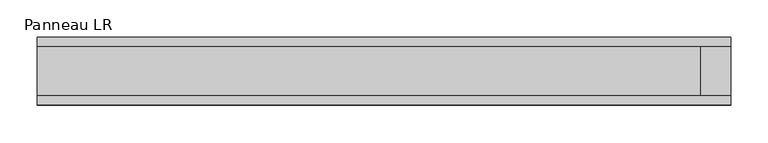
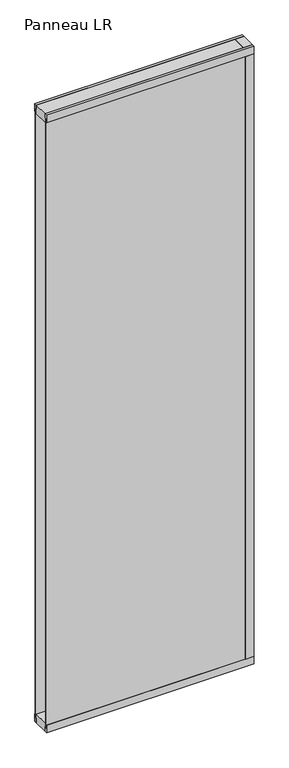
"""IFC4 building model written with IfcOpenShell, lengths in millimetres: plate geometry, Panneau LR."""

from ifc_helpers import new_model, si_unit, frame, origin, origin_with_axes, place, context, project, spatial, polyline, outline, extrude, source, transform, mapped, element, save


def panneau_lr_39d9c2f7(model_context):
    return source(origin(), model_context, "Body", "SweptSolid", [
        extrude(outline(polyline([(33.0, 2910.0), (45.0, 2910.0), (45.0, 2875.0), (43.8, 2875.0), (43.8, 2890.0), (33.0, 2890.0), (33.0, 2910.0)])), frame((-462.7520247, 0.0, 0.0), z_axis=(1.0, 0.0, 0.0), x_axis=(0.0, 1.0, 0.0)), (0.0, 0.0, 1.0), 925.5040494),
        extrude(outline(polyline([(-45.0, 2875.0), (-45.0, 2910.0), (-33.0, 2910.0), (-33.0, 2890.0), (-43.8, 2890.0), (-43.8, 2875.0), (-45.0, 2875.0)])), frame((-462.7520247, 0.0, 0.0), z_axis=(1.0, 0.0, 0.0), x_axis=(0.0, 1.0, 0.0)), (0.0, 0.0, 1.0), 925.5040494),
        extrude(outline(polyline([(462.7520247, 33.0), (462.7520247, -33.0), (422.7520247, -33.0), (422.7520247, 33.0), (462.7520247, 33.0)])), frame((0.0, 0.0, 40.0), z_axis=(0.0, 0.0, 1.0), x_axis=(1.0, 0.0, 0.0)), (0.0, 0.0, 1.0), 2870.0),
        extrude(outline(polyline([(424.1520248, 43.8), (424.1520248, 45.0), (462.7520247, 45.0), (462.7520247, 33.0), (439.1520248, 33.0), (439.1520248, 43.8), (424.1520248, 43.8)])), frame((0.0, 0.0, 35.0), z_axis=(0.0, 0.0, 1.0), x_axis=(1.0, 0.0, 0.0)), (0.0, 0.0, 1.0), 2840.0),
        extrude(outline(polyline([(424.1520248, -45.0), (424.1520248, -43.8), (439.1520248, -43.8), (439.1520248, -33.0), (462.7520247, -33.0), (462.7520247, -45.0), (424.1520248, -45.0)])), frame((0.0, 0.0, 35.0), z_axis=(0.0, 0.0, 1.0), x_axis=(1.0, 0.0, 0.0)), (0.0, 0.0, 1.0), 2840.0),
        extrude(outline(polyline([(33.0, 0.0), (33.0, 20.0), (43.8, 20.0), (43.8, 35.0), (45.0, 35.0), (45.0, 0.0), (33.0, 0.0)])), frame((-462.7520247, 0.0, 0.0), z_axis=(1.0, 0.0, 0.0), x_axis=(0.0, 1.0, 0.0)), (0.0, 0.0, 1.0), 925.5040494),
        extrude(outline(polyline([(-45.0, 35.0), (-43.8, 35.0), (-43.8, 20.0), (-33.0, 20.0), (-33.0, 0.0), (-45.0, 0.0), (-45.0, 35.0)])), frame((-462.7520247, 0.0, 0.0), z_axis=(1.0, 0.0, 0.0), x_axis=(0.0, 1.0, 0.0)), (0.0, 0.0, 1.0), 925.5040494),
        extrude(outline(polyline([(462.7520247, -33.0), (-462.7520247, -33.0), (-462.7520247, 33.0), (462.7520247, 33.0), (462.7520247, -33.0)])), frame((0.0, 0.0, 2870.0), z_axis=(0.0, 0.0, 1.0), x_axis=(1.0, 0.0, 0.0)), (0.0, 0.0, 1.0), 40.0),
        extrude(outline(polyline([(462.7520247, -33.0), (-462.7520247, -33.0), (-462.7520247, 33.0), (462.7520247, 33.0), (462.7520247, -33.0)])), origin_with_axes(), (0.0, 0.0, 1.0), 40.0),
        extrude(outline(polyline([(454.7520247, 37.8), (-462.7520247, 37.8), (-462.7520247, 43.8), (454.7520247, 43.8), (454.7520247, 37.8)])), frame((0.0, 0.0, 20.0), z_axis=(0.0, 0.0, 1.0), x_axis=(1.0, 0.0, 0.0)), (0.0, 0.0, 1.0), 2870.0),
        extrude(outline(polyline([(-462.7520247, -43.8), (-462.7520247, -37.8), (454.7520247, -37.8), (454.7520247, -43.8), (-462.7520247, -43.8)])), frame((0.0, 0.0, 20.0), z_axis=(0.0, 0.0, 1.0), x_axis=(1.0, 0.0, 0.0)), (0.0, 0.0, 1.0), 2870.0),
    ])


if __name__ == "__main__":
    model = new_model("IFC4")
    model_context = context("Model", 3, world=origin())
    ifc_project = project(units=[si_unit("LENGTHUNIT", "METRE", prefix="MILLI")], contexts=[model_context])
    site = spatial("IfcSite", under=ifc_project)
    building = spatial("IfcBuilding", under=site)
    placement = place(None, origin())
    panneau_lr_shape = panneau_lr_39d9c2f7(model_context)
    element("IfcPlate", 1, ObjectType="Panneau LR", at=placement, inside=building, context=model_context, shape_type="MappedRepresentation", body=[
        mapped(panneau_lr_shape, transform((0.0, 0.0, 0.0), x_axis=(1.0, 0.0, 0.0), y_axis=(0.0, 1.0, 0.0), z_axis=(0.0, 0.0, 1.0))),
    ])
    save(model, "model.ifc")
